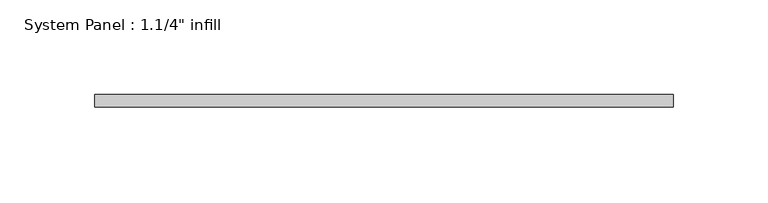
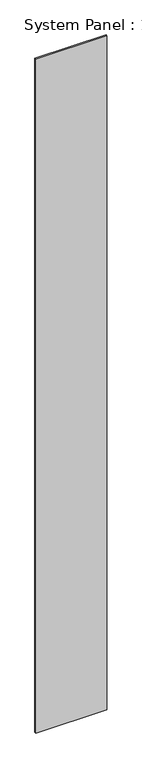
"""IFC4 building model written with IfcOpenShell, lengths in millimetres: plate geometry."""

from ifc_helpers import new_model, si_unit, origin, origin_with_axes, place, context, project, spatial, polyline, outline, extrude, source, transform, mapped, element, save


def plate_9199b093(model_context):
    return source(origin(), model_context, "Body", "SweptSolid", [
        extrude(outline(polyline([(152.1535164, -6.2507813), (-152.1535164, -6.2507813), (-152.1535164, 0.0992187), (152.1535164, 0.0992187), (152.1535164, -6.2507813)])), origin_with_axes(), (0.0, 0.0, 1.0), 3048.0),
    ])


if __name__ == "__main__":
    model = new_model("IFC4")
    model_context = context("Model", 3, world=origin())
    ifc_project = project(units=[si_unit("LENGTHUNIT", "METRE", prefix="MILLI")], contexts=[model_context])
    site = spatial("IfcSite", under=ifc_project)
    building = spatial("IfcBuilding", under=site)
    placement = place(None, origin())
    plate_shape = plate_9199b093(model_context)
    element("IfcPlate", 1, ObjectType="System Panel : 1.1/4\" infill", at=placement, inside=building, context=model_context, shape_type="MappedRepresentation", body=[
        mapped(plate_shape, transform((0.0, 0.0, 0.0), x_axis=(1.0, 0.0, 0.0), y_axis=(0.0, 1.0, 0.0), z_axis=(0.0, 0.0, 1.0))),
    ])
    save(model, "model.ifc")
